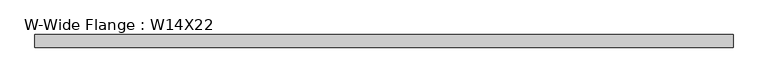
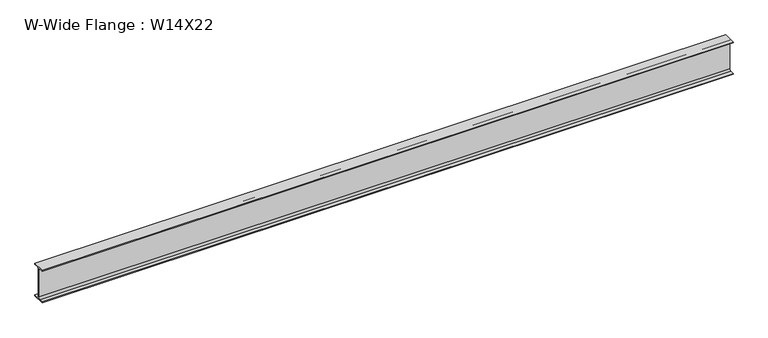
"""IFC4 building model written with IfcOpenShell, lengths in millimetres: beam geometry, W-Wide Flange : W14X22."""

from ifc_helpers import new_model, si_unit, point, frame, frame_2d, origin, place, context, project, spatial, polyline, circle_curve, trimmed, segment, composite_curve, outline, extrude, source, transform, mapped, element, save


def w_wide_flange_w14x22_63134aa7(model_context):
    return source(origin(), model_context, "Body", "SweptSolid", [
        extrude(outline(composite_curve([segment(polyline([(63.5, -165.4472656), (63.5, -173.9800781), (-63.5, -173.9800781), (-63.5, -165.4472656), (-21.3816406, -165.4472656)]), True, "CONTINUOUS"), segment(trimmed(circle_curve(frame_2d((-21.3816406, -146.9925781)), 18.4546875), [point((-21.3816406, -165.4472656))], [point((-2.9269531, -146.9925781))], True, "CARTESIAN"), True, "CONTINUOUS"), segment(polyline([(-2.9269531, -146.9925781), (-2.9269531, 146.9925781)]), True, "CONTINUOUS"), segment(trimmed(circle_curve(frame_2d((-21.3816406, 146.9925781)), 18.4546875), [point((-2.9269531, 146.9925781))], [point((-21.3816406, 165.4472656))], True, "CARTESIAN"), True, "CONTINUOUS"), segment(polyline([(-21.3816406, 165.4472656), (-63.5, 165.4472656), (-63.5, 173.9800781), (63.5, 173.9800781), (63.5, 165.4472656), (21.3816406, 165.4472656)]), True, "CONTINUOUS"), segment(trimmed(circle_curve(frame_2d((21.3816406, 146.9925781)), 18.4546875), [point((21.3816406, 165.4472656))], [point((2.9269531, 146.9925781))], True, "CARTESIAN"), True, "CONTINUOUS"), segment(polyline([(2.9269531, 146.9925781), (2.9269531, -146.9925781)]), True, "CONTINUOUS"), segment(trimmed(circle_curve(frame_2d((21.3816406, -146.9925781)), 18.4546875), [point((2.9269531, -146.9925781))], [point((21.3816406, -165.4472656))], True, "CARTESIAN"), True, "CONTINUOUS"), segment(polyline([(21.3816406, -165.4472656), (63.5, -165.4472656)]), True, "CONTINUOUS")], self_intersect=False)), frame((-3510.8058594, 0.0, 0.0), z_axis=(1.0, 0.0, 0.0), x_axis=(0.0, 1.0, 0.0)), (0.0, 0.0, 1.0), 7021.6117187),
    ])


if __name__ == "__main__":
    model = new_model("IFC4")
    model_context = context("Model", 3, world=origin())
    ifc_project = project(units=[si_unit("LENGTHUNIT", "METRE", prefix="MILLI")], contexts=[model_context])
    site = spatial("IfcSite", under=ifc_project)
    building = spatial("IfcBuilding", under=site)
    placement = place(None, origin())
    w_wide_flange_w14x22_shape = w_wide_flange_w14x22_63134aa7(model_context)
    element("IfcBeam", 1, ObjectType="W-Wide Flange : W14X22", at=placement, inside=building, context=model_context, shape_type="MappedRepresentation", body=[
        mapped(w_wide_flange_w14x22_shape, transform((0.0, 0.0, 0.0), x_axis=(1.0, 0.0, 0.0), y_axis=(0.0, 1.0, 0.0), z_axis=(0.0, 0.0, 1.0))),
    ])
    save(model, "model.ifc")
